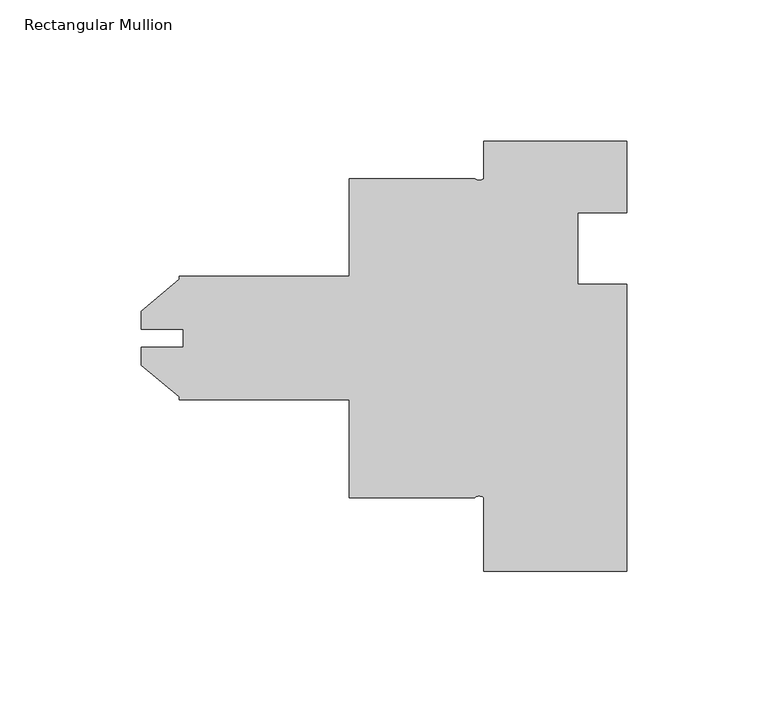
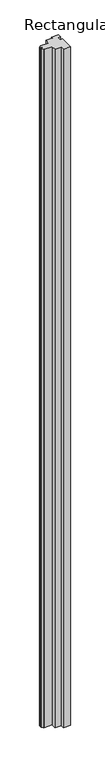
"""IFC4 building model written with IfcOpenShell, lengths in millimetres: member geometry, Rectangular Mullion."""

from ifc_helpers import new_model, si_unit, point, frame, frame_2d, origin, place, context, project, spatial, polyline, circle_curve, trimmed, segment, composite_curve, outline, extrude, source, transform, mapped, element, save


def rectangular_mullion_b266a866(model_context):
    return source(origin(), model_context, "Body", "SweptSolid", [
        extrude(outline(composite_curve([segment(polyline([(50.8, -152.4), (0.0, -152.4), (0.0, -126.3904)]), True, "CONTINUOUS"), segment(trimmed(circle_curve(frame_2d((-1.5875, -128.1526573)), 2.3718573), [point((0.0, -126.3904))], [point((-3.175, -126.3904))], True, "CARTESIAN"), True, "CONTINUOUS"), segment(polyline([(-3.175, -126.3904), (-47.625, -126.3904), (-47.625, -91.7448), (-107.95, -91.7448), (-107.95, -90.6782933), (-121.412, -79.382334), (-121.412, -73.0120621), (-106.3752, -73.0120621), (-106.3752, -66.6879379), (-121.3104218, -66.6879379), (-121.412, -60.317666), (-107.95, -49.0217067), (-107.95, -47.9552), (-47.625, -47.9552), (-47.625, -13.3096), (-3.175, -13.3096)]), True, "CONTINUOUS"), segment(trimmed(circle_curve(frame_2d((-1.5875, -11.5473427)), 2.3718573), [point((-3.175, -13.3096))], [point((0.0, -13.3096))], True, "CARTESIAN"), True, "CONTINUOUS"), segment(polyline([(0.0, -13.3096), (0.0, 0.0), (50.8, 0.0), (50.8, -25.4), (33.3502, -25.4), (33.3502, -50.8), (50.8, -50.8), (50.8, -152.4)]), True, "CONTINUOUS")], self_intersect=False)), frame((0.0, 0.0, -5232.4), z_axis=(0.0, 0.0, 1.0), x_axis=(1.0, 0.0, 0.0)), (0.0, 0.0, 1.0), 5232.4),
    ])


if __name__ == "__main__":
    model = new_model("IFC4")
    model_context = context("Model", 3, world=origin())
    ifc_project = project(units=[si_unit("LENGTHUNIT", "METRE", prefix="MILLI")], contexts=[model_context])
    site = spatial("IfcSite", under=ifc_project)
    building = spatial("IfcBuilding", under=site)
    placement = place(None, origin())
    rectangular_mullion_shape = rectangular_mullion_b266a866(model_context)
    element("IfcMember", 1, ObjectType="Rectangular Mullion", at=placement, inside=building, context=model_context, shape_type="MappedRepresentation", body=[
        mapped(rectangular_mullion_shape, transform((0.0, 0.0, 0.0), x_axis=(1.0, 0.0, 0.0), y_axis=(0.0, 1.0, 0.0), z_axis=(0.0, 0.0, 1.0))),
    ])
    save(model, "model.ifc")
